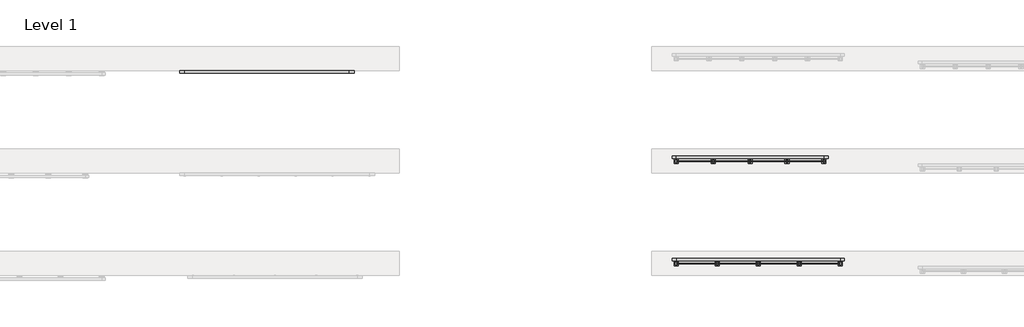
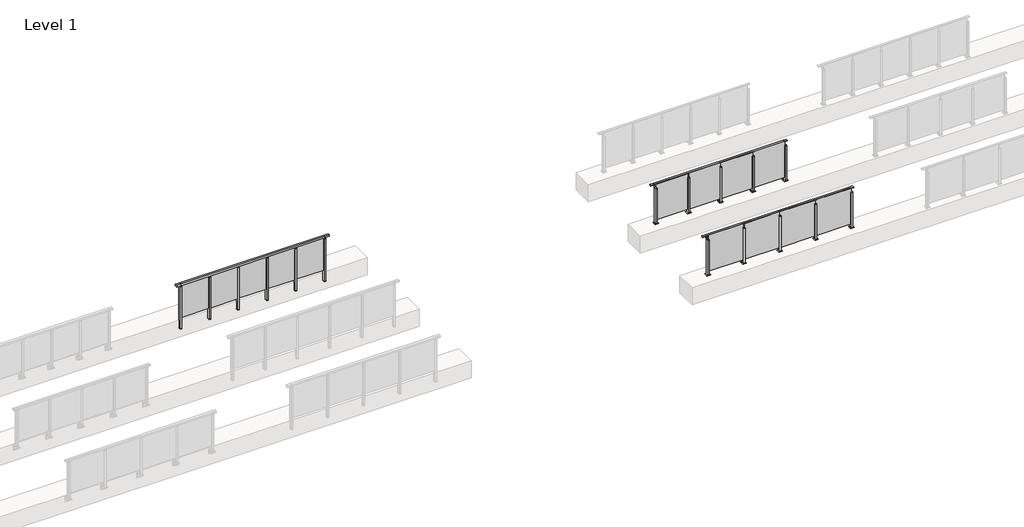
# One storey, part 22 of 37: 3 railings.
"""IFC4 building model written with IfcOpenShell, lengths in millimetres."""

import ifcopenshell
import ifcopenshell.guid

model = None  # the IFC model being written
_history = None  # IfcOwnerHistory: only IFC2X3 demands one
_inside = {}  # id of a spatial element -> (the spatial element, [elements in it])
_under = {}  # id of a project, library or spatial element -> (it, [spatial elements below it])
_declared = {}  # id of a project -> (the project, [libraries it declares])
_typed = {}  # id of a type object -> (the type object, [elements of that type])
_made_of = {}  # id of a material, layer set ... -> (it, [elements and type objects made of it])


def new_model(schema):
    """Start an empty IFC model of exactly this schema.

    Asked for "IFC4X3", IfcOpenShell would pick the latest addendum, in which some entities
    have other attributes; the version numbers below select the first issue.
    IFC2X3 requires an IfcOwnerHistory on every rooted entity: one is made here for all.
    """
    global model, _history
    if schema == "IFC4X3":
        model = ifcopenshell.file(schema_version=(4, 3, 0, 0))
    else:
        model = ifcopenshell.file(schema=schema)
    _inside.clear()
    _under.clear()
    _declared.clear()
    _typed.clear()
    _made_of.clear()
    _history = None
    if model.schema == "IFC2X3":
        org = make("IfcOrganization", Name="unknown")
        user = make(
            "IfcPersonAndOrganization",
            ThePerson=make("IfcPerson", FamilyName="unknown"),
            TheOrganization=org,
        )
        app = make(
            "IfcApplication",
            ApplicationDeveloper=org,
            Version="unknown",
            ApplicationFullName="unknown",
            ApplicationIdentifier="unknown",
        )
        _history = make(
            "IfcOwnerHistory",
            OwningUser=user,
            OwningApplication=app,
            ChangeAction="ADDED",
            CreationDate=0,
        )
    return model


def make(cls, **values):
    """One entity of the class cls with the attributes given. An attribute that is None is left unset."""
    return model.create_entity(
        cls, **{name: value for name, value in values.items() if value is not None}
    )


def rooted(cls, **values):
    """An entity with a GlobalId (a new one), such as an element, a storey or a relation."""
    return make(cls, GlobalId=ifcopenshell.guid.new(), OwnerHistory=_history, **values)


def si_unit(unit_type, name, prefix=None):
    """IfcSIUnit, for example si_unit("LENGTHUNIT", "METRE", prefix="MILLI")."""
    return make("IfcSIUnit", UnitType=unit_type, Prefix=prefix, Name=name)


def assignment(units):
    """IfcUnitAssignment: the units of a project."""
    return None if units is None else make("IfcUnitAssignment", Units=units)


def point(xyz):
    """IfcCartesianPoint."""
    return None if xyz is None else make("IfcCartesianPoint", Coordinates=xyz)


def direction(xyz):
    """IfcDirection."""
    return None if xyz is None else make("IfcDirection", DirectionRatios=xyz)


def frame(location, z_axis=None, x_axis=None):
    """IfcAxis2Placement3D, a coordinate frame: its origin and axes. An axis left out is left unset."""
    return make(
        "IfcAxis2Placement3D",
        Location=point(location),
        Axis=direction(z_axis),
        RefDirection=direction(x_axis),
    )


def frame_2d(location, x_axis=None):
    """IfcAxis2Placement2D, a coordinate frame in the plane: its origin and x axis."""
    return make(
        "IfcAxis2Placement2D", Location=point(location), RefDirection=direction(x_axis)
    )


def origin():
    """The frame at (0, 0, 0) with its axes left unset."""
    return frame((0.0, 0.0, 0.0))


def origin_with_axes():
    """The frame at (0, 0, 0) with the z axis (0, 0, 1) and the x axis (1, 0, 0) written out."""
    return frame((0.0, 0.0, 0.0), z_axis=(0.0, 0.0, 1.0), x_axis=(1.0, 0.0, 0.0))


def place(relative_to, where):
    """IfcLocalPlacement: puts the frame where relative to a parent placement (None: the world)."""
    return make(
        "IfcLocalPlacement", PlacementRelTo=relative_to, RelativePlacement=where
    )


def context(
    kind, dimensions, precision=None, world=None, true_north=None, identifier=None
):
    """IfcGeometricRepresentationContext, for example the 3D "Model" context."""
    return make(
        "IfcGeometricRepresentationContext",
        ContextIdentifier=identifier,
        ContextType=kind,
        CoordinateSpaceDimension=dimensions,
        Precision=precision,
        WorldCoordinateSystem=world,
        TrueNorth=true_north,
    )


def project(units=None, contexts=None):
    """IfcProject with its units and contexts."""
    return rooted(
        "IfcProject",
        Name="project",
        RepresentationContexts=contexts,
        UnitsInContext=assignment(units),
    )


def spatial(cls, under=None, at=None, **own):
    """A site, building, storey or space (cls), placed at a placement, below another one or the project."""
    s = rooted(cls, ObjectPlacement=at, **own)
    if under is not None:
        _under.setdefault(under.id(), (under, []))[1].append(s)
    return s


def polyline(points):
    """IfcPolyline through the points."""
    return make("IfcPolyline", Points=[point(p) for p in points])


def circle_curve(where, radius):
    """IfcCircle in the frame where."""
    return make("IfcCircle", Position=where, Radius=radius)


def trimmed(basis, trim1, trim2, sense, master):
    """IfcTrimmedCurve: the piece of a basis curve between two trims."""
    return make(
        "IfcTrimmedCurve",
        BasisCurve=basis,
        Trim1=trim1,
        Trim2=trim2,
        SenseAgreement=sense,
        MasterRepresentation=master,
    )


def segment(curve, same_sense, transition):
    """IfcCompositeCurveSegment."""
    return make(
        "IfcCompositeCurveSegment",
        Transition=transition,
        SameSense=same_sense,
        ParentCurve=curve,
    )


def composite_curve(segments, self_intersect=None):
    """IfcCompositeCurve: segments joined end to end."""
    return make("IfcCompositeCurve", Segments=segments, SelfIntersect=self_intersect)


def outline(outer, holes=None, kind="AREA"):
    """IfcArbitraryClosedProfileDef: a profile drawn as a closed curve; with holes, ...WithVoids."""
    if holes is None:
        return make("IfcArbitraryClosedProfileDef", ProfileType=kind, OuterCurve=outer)
    return make(
        "IfcArbitraryProfileDefWithVoids",
        ProfileType=kind,
        OuterCurve=outer,
        InnerCurves=holes,
    )


def extrude(swept, where, along, depth):
    """IfcExtrudedAreaSolid: the profile swept, set in the frame where, extruded along a direction by depth."""
    return make(
        "IfcExtrudedAreaSolid",
        SweptArea=swept,
        Position=where,
        ExtrudedDirection=direction(along),
        Depth=depth,
    )


def faces_of(points, faces, orient=None, outer=None):
    """IfcFace entities. A face is a list of loops; a loop is a list of indices into points, from 0.

    orient and outer hold one flag for each loop. By default every Orientation is true, the
    first loop of a face is its IfcFaceOuterBound and the others are IfcFaceBound.
    """
    made = []
    for i, loops in enumerate(faces):
        bounds = []
        for j, loop in enumerate(loops):
            is_outer = j == 0 if outer is None else outer[i][j]
            bounds.append(
                make(
                    "IfcFaceOuterBound" if is_outer else "IfcFaceBound",
                    Bound=make("IfcPolyLoop", Polygon=[points[k] for k in loop]),
                    Orientation=True if orient is None else orient[i][j],
                )
            )
        made.append(make("IfcFace", Bounds=bounds))
    return made


def faceted_brep(points, faces, orient=None, outer=None, voids=None):
    """IfcFacetedBrep: a solid bounded by flat faces; with voids (closed shells), ...WithVoids."""
    shared = [point(p) for p in points]
    hull = make("IfcClosedShell", CfsFaces=faces_of(shared, faces, orient, outer))
    if voids is None:
        return make("IfcFacetedBrep", Outer=hull)
    return make(
        "IfcFacetedBrepWithVoids",
        Outer=hull,
        Voids=[
            make(cls, CfsFaces=faces_of(shared, fs, o, b)) for cls, fs, o, b in voids
        ],
    )


def shape(context_of_items, identifier, shape_type, items):
    """IfcShapeRepresentation: the items that make up one representation, for example the "Body"."""
    return make(
        "IfcShapeRepresentation",
        ContextOfItems=context_of_items,
        RepresentationIdentifier=identifier,
        RepresentationType=shape_type,
        Items=items,
    )


def made_of(thing, what):
    """Note that an element or type object is made of a material, layer set ...; save() writes the relation."""
    if what is not None:
        _made_of.setdefault(what.id(), (what, []))[1].append(thing)
    return thing


def element(
    cls,
    number,
    at=None,
    inside=None,
    cuts=None,
    type_object=None,
    material=None,
    context=None,
    identifier="Body",
    shape_type=None,
    held_by="IfcProductDefinitionShape",
    body=None,
    shapes=None,
    **own,
):
    """One element of the class cls, such as IfcWall. Its Tag is "e" and its number.

    at: its placement. inside: the storey or other place that contains it. cuts: it is an
    opening in that element (IfcRelVoidsElement). A single representation is given by context,
    identifier, shape_type and body (its items); several are given by shapes. held_by: the class
    of the entity that holds the representations. save() writes the other relations.
    """
    e = rooted(cls, Tag="e%d" % number, ObjectPlacement=at, **own)
    if body is not None:
        shapes = [shape(context, identifier, shape_type, body)]
    if shapes is not None:
        e.Representation = make(held_by, Representations=shapes)
    if inside is not None:
        _inside.setdefault(inside.id(), (inside, []))[1].append(e)
    if cuts is not None:
        rooted(
            "IfcRelVoidsElement", RelatingBuildingElement=cuts, RelatedOpeningElement=e
        )
    if type_object is not None:
        _typed.setdefault(type_object.id(), (type_object, []))[1].append(e)
    return made_of(e, material)


def aggregate(whole, parts):
    """IfcRelAggregates: a whole, such as a stair, and the parts it consists of."""
    return rooted("IfcRelAggregates", RelatingObject=whole, RelatedObjects=parts)


def save(model, path):
    """Write the relations noted so far, then the file.

    IfcRelAggregates (storeys below a building ...), IfcRelContainedInSpatialStructure (elements
    in a storey), IfcRelDefinesByType, IfcRelAssociatesMaterial and IfcRelDeclares: one each for
    every whole, place, type object, material and project.
    """
    for whole, parts in _under.values():
        aggregate(whole, parts)
    for where, things in _inside.values():
        rooted(
            "IfcRelContainedInSpatialStructure",
            RelatedElements=things,
            RelatingStructure=where,
        )
    for kind, things in _typed.values():
        rooted("IfcRelDefinesByType", RelatedObjects=things, RelatingType=kind)
    for what, things in _made_of.values():
        rooted("IfcRelAssociatesMaterial", RelatedObjects=things, RelatingMaterial=what)
    for by, libraries in _declared.values():
        rooted("IfcRelDeclares", RelatingContext=by, RelatedDefinitions=libraries)
    model.write(path)


model = new_model("IFC4")

# Units and contexts
model_context = context("Model", 3, world=origin())
ifc_project = project(units=[si_unit("LENGTHUNIT", "METRE", prefix="MILLI")], contexts=[model_context])

# Site, building, storey
site = spatial("IfcSite", under=ifc_project)
building = spatial("IfcBuilding", under=site)
storey = spatial("IfcBuildingStorey", under=building, Name="Level 1", Elevation=0.0)

# Railings
placement = place(None, origin())
element("IfcRailing", 1, at=placement, inside=storey, context=model_context, shape_type="SolidModel", body=[
    faceted_brep([(48027.0, 22397.6846828, 1055.0), (48027.0, 22397.6846828, 1100.0), (52027.0, 22397.6846828, 1100.0), (52027.0, 22397.6846828, 1055.0), (48027.0, 22337.6846828, 1055.0), (52027.0, 22337.6846828, 1055.0), (48027.0, 22337.6846828, 1100.0), (52027.0, 22337.6846828, 1100.0), (47899.5, 22397.6846828, 1100.0), (47899.5, 22397.6846828, 1055.0), (47899.5, 22337.6846828, 1055.0), (47899.5, 22337.6846828, 1100.0), (52154.5, 22397.6846828, 1100.0), (52154.5, 22337.6846828, 1100.0), (52154.5, 22337.6846828, 1055.0), (52154.5, 22397.6846828, 1055.0)], [[[0, 1, 2, 3]], [[4, 0, 3, 5]], [[6, 4, 5, 7]], [[1, 6, 7, 2]], [[8, 9, 10, 11]], [[9, 8, 1, 0]], [[10, 9, 0, 4]], [[11, 10, 4, 6]], [[8, 11, 6, 1]], [[12, 13, 14, 15]], [[3, 2, 12, 15]], [[5, 3, 15, 14]], [[7, 5, 14, 13]], [[2, 7, 13, 12]]]),
    extrude(outline(polyline([(51237.0, 22361.9094929), (51237.0, 22371.9094929), (52017.0, 22371.9094929), (52017.0, 22361.9094929), (51237.0, 22361.9094929)])), frame((0.0, 0.0, 95.0), z_axis=(0.0, 0.0, 1.0), x_axis=(1.0, 0.0, 0.0)), (0.0, 0.0, 1.0), 960.0),
    extrude(outline(polyline([(51249.5, 22400.1846828), (51249.5, 22335.1846828), (51204.5, 22335.1846828), (51204.5, 22400.1846828), (51249.5, 22400.1846828)])), frame((0.0, 0.0, 1027.0), z_axis=(0.0, 0.0, 1.0), x_axis=(1.0, 0.0, 0.0)), (0.0, 0.0, 1.0), 8.0),
    extrude(outline(polyline([(51249.5, 22400.1846828), (51249.5, 22335.1846828), (51204.5, 22335.1846828), (51204.5, 22400.1846828), (51249.5, 22400.1846828)])), frame((0.0, 0.0, -212.0), z_axis=(0.0, 0.0, 1.0), x_axis=(1.0, 0.0, 0.0)), (0.0, 0.0, 1.0), 1239.0),
    extrude(outline(polyline([(51237.0, 22377.6846828), (51237.0, 22357.6846828), (51217.0, 22357.6846828), (51217.0, 22377.6846828), (51237.0, 22377.6846828)])), frame((0.0, 0.0, 1035.0), z_axis=(0.0, 0.0, 1.0), x_axis=(1.0, 0.0, 0.0)), (0.0, 0.0, 1.0), 20.0),
    extrude(outline(polyline([(51249.5, 22400.1846828), (51249.5, 22335.1846828), (51204.5, 22335.1846828), (51204.5, 22400.1846828), (51249.5, 22400.1846828)])), frame((0.0, 0.0, -220.0), z_axis=(0.0, 0.0, 1.0), x_axis=(1.0, 0.0, 0.0)), (0.0, 0.0, 1.0), 8.0),
    extrude(outline(polyline([(50437.0, 22361.9094929), (50437.0, 22371.9094929), (51217.0, 22371.9094929), (51217.0, 22361.9094929), (50437.0, 22361.9094929)])), frame((0.0, 0.0, 95.0), z_axis=(0.0, 0.0, 1.0), x_axis=(1.0, 0.0, 0.0)), (0.0, 0.0, 1.0), 960.0),
    extrude(outline(polyline([(50449.5, 22400.1846828), (50449.5, 22335.1846828), (50404.5, 22335.1846828), (50404.5, 22400.1846828), (50449.5, 22400.1846828)])), frame((0.0, 0.0, 1027.0), z_axis=(0.0, 0.0, 1.0), x_axis=(1.0, 0.0, 0.0)), (0.0, 0.0, 1.0), 8.0),
    extrude(outline(polyline([(50449.5, 22400.1846828), (50449.5, 22335.1846828), (50404.5, 22335.1846828), (50404.5, 22400.1846828), (50449.5, 22400.1846828)])), frame((0.0, 0.0, -212.0), z_axis=(0.0, 0.0, 1.0), x_axis=(1.0, 0.0, 0.0)), (0.0, 0.0, 1.0), 1239.0),
    extrude(outline(polyline([(50437.0, 22377.6846828), (50437.0, 22357.6846828), (50417.0, 22357.6846828), (50417.0, 22377.6846828), (50437.0, 22377.6846828)])), frame((0.0, 0.0, 1035.0), z_axis=(0.0, 0.0, 1.0), x_axis=(1.0, 0.0, 0.0)), (0.0, 0.0, 1.0), 20.0),
    extrude(outline(polyline([(50449.5, 22400.1846828), (50449.5, 22335.1846828), (50404.5, 22335.1846828), (50404.5, 22400.1846828), (50449.5, 22400.1846828)])), frame((0.0, 0.0, -220.0), z_axis=(0.0, 0.0, 1.0), x_axis=(1.0, 0.0, 0.0)), (0.0, 0.0, 1.0), 8.0),
    extrude(outline(polyline([(49637.0, 22361.9094929), (49637.0, 22371.9094929), (50417.0, 22371.9094929), (50417.0, 22361.9094929), (49637.0, 22361.9094929)])), frame((0.0, 0.0, 95.0), z_axis=(0.0, 0.0, 1.0), x_axis=(1.0, 0.0, 0.0)), (0.0, 0.0, 1.0), 960.0),
    extrude(outline(polyline([(49649.5, 22400.1846828), (49649.5, 22335.1846828), (49604.5, 22335.1846828), (49604.5, 22400.1846828), (49649.5, 22400.1846828)])), frame((0.0, 0.0, 1027.0), z_axis=(0.0, 0.0, 1.0), x_axis=(1.0, 0.0, 0.0)), (0.0, 0.0, 1.0), 8.0),
    extrude(outline(polyline([(49649.5, 22400.1846828), (49649.5, 22335.1846828), (49604.5, 22335.1846828), (49604.5, 22400.1846828), (49649.5, 22400.1846828)])), frame((0.0, 0.0, -212.0), z_axis=(0.0, 0.0, 1.0), x_axis=(1.0, 0.0, 0.0)), (0.0, 0.0, 1.0), 1239.0),
    extrude(outline(polyline([(49637.0, 22377.6846828), (49637.0, 22357.6846828), (49617.0, 22357.6846828), (49617.0, 22377.6846828), (49637.0, 22377.6846828)])), frame((0.0, 0.0, 1035.0), z_axis=(0.0, 0.0, 1.0), x_axis=(1.0, 0.0, 0.0)), (0.0, 0.0, 1.0), 20.0),
    extrude(outline(polyline([(49649.5, 22400.1846828), (49649.5, 22335.1846828), (49604.5, 22335.1846828), (49604.5, 22400.1846828), (49649.5, 22400.1846828)])), frame((0.0, 0.0, -220.0), z_axis=(0.0, 0.0, 1.0), x_axis=(1.0, 0.0, 0.0)), (0.0, 0.0, 1.0), 8.0),
    extrude(outline(polyline([(48837.0, 22361.9094929), (48837.0, 22371.9094929), (49617.0, 22371.9094929), (49617.0, 22361.9094929), (48837.0, 22361.9094929)])), frame((0.0, 0.0, 95.0), z_axis=(0.0, 0.0, 1.0), x_axis=(1.0, 0.0, 0.0)), (0.0, 0.0, 1.0), 960.0),
    extrude(outline(polyline([(48849.5, 22400.1846828), (48849.5, 22335.1846828), (48804.5, 22335.1846828), (48804.5, 22400.1846828), (48849.5, 22400.1846828)])), frame((0.0, 0.0, 1027.0), z_axis=(0.0, 0.0, 1.0), x_axis=(1.0, 0.0, 0.0)), (0.0, 0.0, 1.0), 8.0),
    extrude(outline(polyline([(48849.5, 22400.1846828), (48849.5, 22335.1846828), (48804.5, 22335.1846828), (48804.5, 22400.1846828), (48849.5, 22400.1846828)])), frame((0.0, 0.0, -212.0), z_axis=(0.0, 0.0, 1.0), x_axis=(1.0, 0.0, 0.0)), (0.0, 0.0, 1.0), 1239.0),
    extrude(outline(polyline([(48837.0, 22377.6846828), (48837.0, 22357.6846828), (48817.0, 22357.6846828), (48817.0, 22377.6846828), (48837.0, 22377.6846828)])), frame((0.0, 0.0, 1035.0), z_axis=(0.0, 0.0, 1.0), x_axis=(1.0, 0.0, 0.0)), (0.0, 0.0, 1.0), 20.0),
    extrude(outline(polyline([(48849.5, 22400.1846828), (48849.5, 22335.1846828), (48804.5, 22335.1846828), (48804.5, 22400.1846828), (48849.5, 22400.1846828)])), frame((0.0, 0.0, -220.0), z_axis=(0.0, 0.0, 1.0), x_axis=(1.0, 0.0, 0.0)), (0.0, 0.0, 1.0), 8.0),
    extrude(outline(polyline([(48037.0, 22361.9094929), (48037.0, 22371.9094929), (48817.0, 22371.9094929), (48817.0, 22361.9094929), (48037.0, 22361.9094929)])), frame((0.0, 0.0, 95.0), z_axis=(0.0, 0.0, 1.0), x_axis=(1.0, 0.0, 0.0)), (0.0, 0.0, 1.0), 960.0),
    extrude(outline(polyline([(52049.5, 22400.1846828), (52049.5, 22335.1846828), (52004.5, 22335.1846828), (52004.5, 22400.1846828), (52049.5, 22400.1846828)])), frame((0.0, 0.0, 1027.0), z_axis=(0.0, 0.0, 1.0), x_axis=(1.0, 0.0, 0.0)), (0.0, 0.0, 1.0), 8.0),
    extrude(outline(polyline([(52049.5, 22400.1846828), (52049.5, 22335.1846828), (52004.5, 22335.1846828), (52004.5, 22400.1846828), (52049.5, 22400.1846828)])), frame((0.0, 0.0, -212.0), z_axis=(0.0, 0.0, 1.0), x_axis=(1.0, 0.0, 0.0)), (0.0, 0.0, 1.0), 1239.0),
    extrude(outline(polyline([(52037.0, 22377.6846828), (52037.0, 22357.6846828), (52017.0, 22357.6846828), (52017.0, 22377.6846828), (52037.0, 22377.6846828)])), frame((0.0, 0.0, 1035.0), z_axis=(0.0, 0.0, 1.0), x_axis=(1.0, 0.0, 0.0)), (0.0, 0.0, 1.0), 20.0),
    extrude(outline(polyline([(52049.5, 22400.1846828), (52049.5, 22335.1846828), (52004.5, 22335.1846828), (52004.5, 22400.1846828), (52049.5, 22400.1846828)])), frame((0.0, 0.0, -220.0), z_axis=(0.0, 0.0, 1.0), x_axis=(1.0, 0.0, 0.0)), (0.0, 0.0, 1.0), 8.0),
    extrude(outline(polyline([(48049.5, 22400.1846828), (48049.5, 22335.1846828), (48004.5, 22335.1846828), (48004.5, 22400.1846828), (48049.5, 22400.1846828)])), frame((0.0, 0.0, 1027.0), z_axis=(0.0, 0.0, 1.0), x_axis=(1.0, 0.0, 0.0)), (0.0, 0.0, 1.0), 8.0),
    extrude(outline(polyline([(48049.5, 22400.1846828), (48049.5, 22335.1846828), (48004.5, 22335.1846828), (48004.5, 22400.1846828), (48049.5, 22400.1846828)])), frame((0.0, 0.0, -212.0), z_axis=(0.0, 0.0, 1.0), x_axis=(1.0, 0.0, 0.0)), (0.0, 0.0, 1.0), 1239.0),
    extrude(outline(polyline([(48037.0, 22377.6846828), (48037.0, 22357.6846828), (48017.0, 22357.6846828), (48017.0, 22377.6846828), (48037.0, 22377.6846828)])), frame((0.0, 0.0, 1035.0), z_axis=(0.0, 0.0, 1.0), x_axis=(1.0, 0.0, 0.0)), (0.0, 0.0, 1.0), 20.0),
    extrude(outline(polyline([(48049.5, 22400.1846828), (48049.5, 22335.1846828), (48004.5, 22335.1846828), (48004.5, 22400.1846828), (48049.5, 22400.1846828)])), frame((0.0, 0.0, -220.0), z_axis=(0.0, 0.0, 1.0), x_axis=(1.0, 0.0, 0.0)), (0.0, 0.0, 1.0), 8.0),
])
element("IfcRailing", 2, at=placement, inside=storey, context=model_context, shape_type="SolidModel", body=[
    faceted_brep([(59900.0, 17815.6846828, 1100.0), (59900.0, 17815.6846828, 1085.0), (59900.0, 17755.6846828, 1085.0), (59900.0, 17755.6846828, 1100.0), (60000.0, 17815.6846828, 1100.0), (60000.0, 17815.6846828, 1085.0), (60000.0, 17755.6846828, 1085.0), (60000.0, 17755.6846828, 1100.0), (64000.0, 17815.6846828, 1100.0), (64000.0, 17815.6846828, 1085.0), (64000.0, 17755.6846828, 1085.0), (64000.0, 17755.6846828, 1100.0), (64100.0, 17815.6846828, 1100.0), (64100.0, 17755.6846828, 1100.0), (64100.0, 17755.6846828, 1085.0), (64100.0, 17815.6846828, 1085.0)], [[[0, 1, 2, 3]], [[1, 0, 4, 5]], [[2, 1, 5, 6]], [[3, 2, 6, 7]], [[0, 3, 7, 4]], [[5, 4, 8, 9]], [[6, 5, 9, 10]], [[7, 6, 10, 11]], [[4, 7, 11, 8]], [[12, 13, 14, 15]], [[9, 8, 12, 15]], [[10, 9, 15, 14]], [[11, 10, 14, 13]], [[8, 11, 13, 12]]]),
    extrude(outline(polyline([(63010.0, 17689.4094929), (63010.0, 17699.4094929), (63990.0, 17699.4094929), (63990.0, 17689.4094929), (63010.0, 17689.4094929)])), frame((0.0, 0.0, 95.0), z_axis=(0.0, 0.0, 1.0), x_axis=(1.0, 0.0, 0.0)), (0.0, 0.0, 1.0), 1055.0),
    extrude(outline(composite_curve([segment(polyline([(17810.6846828, 1085.0), (17810.6846828, 1060.900037)]), True, "CONTINUOUS"), segment(trimmed(circle_curve(frame_2d((17800.6846828, 1060.900037)), 10.0), [point((17810.6846828, 1060.900037))], [point((17803.2728733, 1051.2407787))], False, "CARTESIAN"), True, "CONTINUOUS"), segment(polyline([(17803.2728733, 1051.2407787), (17746.2244733, 1035.9547061)]), True, "CONTINUOUS"), segment(trimmed(circle_curve(frame_2d((17748.8126638, 1026.2954478)), 10.0), [point((17746.2244733, 1035.9547061))], [point((17738.8982152, 1027.6007097))], True, "CARTESIAN"), True, "CONTINUOUS"), segment(polyline([(17738.8982152, 1027.6007097), (17734.291393, 992.6084214)]), True, "CONTINUOUS"), segment(trimmed(circle_curve(frame_2d((17731.3170584, 993.0)), 3.0), [point((17734.291393, 992.6084214))], [point((17731.3170584, 990.0))], False, "CARTESIAN"), True, "CONTINUOUS"), segment(polyline([(17731.3170584, 990.0), (17722.6846828, 990.0), (17722.6846828, 1040.0), (17786.6846828, 1057.1487483), (17786.6846828, 1085.0), (17810.6846828, 1085.0)]), True, "CONTINUOUS")], self_intersect=False)), frame((62987.5, 0.0, 0.0), z_axis=(1.0, 0.0, 0.0), x_axis=(0.0, 1.0, 0.0)), (0.0, 0.0, 1.0), 25.0),
    extrude(outline(polyline([(63022.5, 17722.6846828), (63022.5, 17657.6846828), (62977.5, 17657.6846828), (62977.5, 17722.6846828), (63022.5, 17722.6846828)])), frame((0.0, 0.0, 1040.0), z_axis=(0.0, 0.0, 1.0), x_axis=(1.0, 0.0, 0.0)), (0.0, 0.0, 1.0), 5.0),
    extrude(outline(polyline([(63050.0, 17740.1846828), (63050.0, 17640.1846828), (62950.0, 17640.1846828), (62950.0, 17740.1846828), (63050.0, 17740.1846828)])), origin_with_axes(), (0.0, 0.0, 1.0), 12.0),
    extrude(outline(polyline([(63022.5, 17722.6846828), (63022.5, 17657.6846828), (62977.5, 17657.6846828), (62977.5, 17722.6846828), (63022.5, 17722.6846828)])), frame((0.0, 0.0, 12.0), z_axis=(0.0, 0.0, 1.0), x_axis=(1.0, 0.0, 0.0)), (0.0, 0.0, 1.0), 1028.0),
    extrude(outline(polyline([(62010.0, 17689.4094929), (62010.0, 17699.4094929), (62990.0, 17699.4094929), (62990.0, 17689.4094929), (62010.0, 17689.4094929)])), frame((0.0, 0.0, 95.0), z_axis=(0.0, 0.0, 1.0), x_axis=(1.0, 0.0, 0.0)), (0.0, 0.0, 1.0), 1055.0),
    extrude(outline(composite_curve([segment(polyline([(17810.6846828, 1085.0), (17810.6846828, 1060.900037)]), True, "CONTINUOUS"), segment(trimmed(circle_curve(frame_2d((17800.6846828, 1060.900037)), 10.0), [point((17810.6846828, 1060.900037))], [point((17803.2728733, 1051.2407787))], False, "CARTESIAN"), True, "CONTINUOUS"), segment(polyline([(17803.2728733, 1051.2407787), (17746.2244733, 1035.9547061)]), True, "CONTINUOUS"), segment(trimmed(circle_curve(frame_2d((17748.8126638, 1026.2954478)), 10.0), [point((17746.2244733, 1035.9547061))], [point((17738.8982152, 1027.6007097))], True, "CARTESIAN"), True, "CONTINUOUS"), segment(polyline([(17738.8982152, 1027.6007097), (17734.291393, 992.6084214)]), True, "CONTINUOUS"), segment(trimmed(circle_curve(frame_2d((17731.3170584, 993.0)), 3.0), [point((17734.291393, 992.6084214))], [point((17731.3170584, 990.0))], False, "CARTESIAN"), True, "CONTINUOUS"), segment(polyline([(17731.3170584, 990.0), (17722.6846828, 990.0), (17722.6846828, 1040.0), (17786.6846828, 1057.1487483), (17786.6846828, 1085.0), (17810.6846828, 1085.0)]), True, "CONTINUOUS")], self_intersect=False)), frame((61987.5, 0.0, 0.0), z_axis=(1.0, 0.0, 0.0), x_axis=(0.0, 1.0, 0.0)), (0.0, 0.0, 1.0), 25.0),
    extrude(outline(polyline([(62022.5, 17722.6846828), (62022.5, 17657.6846828), (61977.5, 17657.6846828), (61977.5, 17722.6846828), (62022.5, 17722.6846828)])), frame((0.0, 0.0, 1040.0), z_axis=(0.0, 0.0, 1.0), x_axis=(1.0, 0.0, 0.0)), (0.0, 0.0, 1.0), 5.0),
    extrude(outline(polyline([(62050.0, 17740.1846828), (62050.0, 17640.1846828), (61950.0, 17640.1846828), (61950.0, 17740.1846828), (62050.0, 17740.1846828)])), origin_with_axes(), (0.0, 0.0, 1.0), 12.0),
    extrude(outline(polyline([(62022.5, 17722.6846828), (62022.5, 17657.6846828), (61977.5, 17657.6846828), (61977.5, 17722.6846828), (62022.5, 17722.6846828)])), frame((0.0, 0.0, 12.0), z_axis=(0.0, 0.0, 1.0), x_axis=(1.0, 0.0, 0.0)), (0.0, 0.0, 1.0), 1028.0),
    extrude(outline(polyline([(61010.0, 17689.4094929), (61010.0, 17699.4094929), (61990.0, 17699.4094929), (61990.0, 17689.4094929), (61010.0, 17689.4094929)])), frame((0.0, 0.0, 95.0), z_axis=(0.0, 0.0, 1.0), x_axis=(1.0, 0.0, 0.0)), (0.0, 0.0, 1.0), 1055.0),
    extrude(outline(composite_curve([segment(polyline([(17810.6846828, 1085.0), (17810.6846828, 1060.900037)]), True, "CONTINUOUS"), segment(trimmed(circle_curve(frame_2d((17800.6846828, 1060.900037)), 10.0), [point((17810.6846828, 1060.900037))], [point((17803.2728733, 1051.2407787))], False, "CARTESIAN"), True, "CONTINUOUS"), segment(polyline([(17803.2728733, 1051.2407787), (17746.2244733, 1035.9547061)]), True, "CONTINUOUS"), segment(trimmed(circle_curve(frame_2d((17748.8126638, 1026.2954478)), 10.0), [point((17746.2244733, 1035.9547061))], [point((17738.8982152, 1027.6007097))], True, "CARTESIAN"), True, "CONTINUOUS"), segment(polyline([(17738.8982152, 1027.6007097), (17734.291393, 992.6084214)]), True, "CONTINUOUS"), segment(trimmed(circle_curve(frame_2d((17731.3170584, 993.0)), 3.0), [point((17734.291393, 992.6084214))], [point((17731.3170584, 990.0))], False, "CARTESIAN"), True, "CONTINUOUS"), segment(polyline([(17731.3170584, 990.0), (17722.6846828, 990.0), (17722.6846828, 1040.0), (17786.6846828, 1057.1487483), (17786.6846828, 1085.0), (17810.6846828, 1085.0)]), True, "CONTINUOUS")], self_intersect=False)), frame((60987.5, 0.0, 0.0), z_axis=(1.0, 0.0, 0.0), x_axis=(0.0, 1.0, 0.0)), (0.0, 0.0, 1.0), 25.0),
    extrude(outline(polyline([(61022.5, 17722.6846828), (61022.5, 17657.6846828), (60977.5, 17657.6846828), (60977.5, 17722.6846828), (61022.5, 17722.6846828)])), frame((0.0, 0.0, 1040.0), z_axis=(0.0, 0.0, 1.0), x_axis=(1.0, 0.0, 0.0)), (0.0, 0.0, 1.0), 5.0),
    extrude(outline(polyline([(61050.0, 17740.1846828), (61050.0, 17640.1846828), (60950.0, 17640.1846828), (60950.0, 17740.1846828), (61050.0, 17740.1846828)])), origin_with_axes(), (0.0, 0.0, 1.0), 12.0),
    extrude(outline(polyline([(61022.5, 17722.6846828), (61022.5, 17657.6846828), (60977.5, 17657.6846828), (60977.5, 17722.6846828), (61022.5, 17722.6846828)])), frame((0.0, 0.0, 12.0), z_axis=(0.0, 0.0, 1.0), x_axis=(1.0, 0.0, 0.0)), (0.0, 0.0, 1.0), 1028.0),
    extrude(outline(polyline([(60010.0, 17689.4094929), (60010.0, 17699.4094929), (60990.0, 17699.4094929), (60990.0, 17689.4094929), (60010.0, 17689.4094929)])), frame((0.0, 0.0, 95.0), z_axis=(0.0, 0.0, 1.0), x_axis=(1.0, 0.0, 0.0)), (0.0, 0.0, 1.0), 1055.0),
    extrude(outline(composite_curve([segment(polyline([(17810.6846828, 1085.0), (17810.6846828, 1060.900037)]), True, "CONTINUOUS"), segment(trimmed(circle_curve(frame_2d((17800.6846828, 1060.900037)), 10.0), [point((17810.6846828, 1060.900037))], [point((17803.2728733, 1051.2407787))], False, "CARTESIAN"), True, "CONTINUOUS"), segment(polyline([(17803.2728733, 1051.2407787), (17746.2244733, 1035.9547061)]), True, "CONTINUOUS"), segment(trimmed(circle_curve(frame_2d((17748.8126638, 1026.2954478)), 10.0), [point((17746.2244733, 1035.9547061))], [point((17738.8982152, 1027.6007097))], True, "CARTESIAN"), True, "CONTINUOUS"), segment(polyline([(17738.8982152, 1027.6007097), (17734.291393, 992.6084214)]), True, "CONTINUOUS"), segment(trimmed(circle_curve(frame_2d((17731.3170584, 993.0)), 3.0), [point((17734.291393, 992.6084214))], [point((17731.3170584, 990.0))], False, "CARTESIAN"), True, "CONTINUOUS"), segment(polyline([(17731.3170584, 990.0), (17722.6846828, 990.0), (17722.6846828, 1040.0), (17786.6846828, 1057.1487483), (17786.6846828, 1085.0), (17810.6846828, 1085.0)]), True, "CONTINUOUS")], self_intersect=False)), frame((63987.5, 0.0, 0.0), z_axis=(1.0, 0.0, 0.0), x_axis=(0.0, 1.0, 0.0)), (0.0, 0.0, 1.0), 25.0),
    extrude(outline(polyline([(64022.5, 17722.6846828), (64022.5, 17657.6846828), (63977.5, 17657.6846828), (63977.5, 17722.6846828), (64022.5, 17722.6846828)])), frame((0.0, 0.0, 1040.0), z_axis=(0.0, 0.0, 1.0), x_axis=(1.0, 0.0, 0.0)), (0.0, 0.0, 1.0), 5.0),
    extrude(outline(polyline([(64050.0, 17740.1846828), (64050.0, 17640.1846828), (63950.0, 17640.1846828), (63950.0, 17740.1846828), (64050.0, 17740.1846828)])), origin_with_axes(), (0.0, 0.0, 1.0), 12.0),
    extrude(outline(polyline([(64022.5, 17722.6846828), (64022.5, 17657.6846828), (63977.5, 17657.6846828), (63977.5, 17722.6846828), (64022.5, 17722.6846828)])), frame((0.0, 0.0, 12.0), z_axis=(0.0, 0.0, 1.0), x_axis=(1.0, 0.0, 0.0)), (0.0, 0.0, 1.0), 1028.0),
    extrude(outline(composite_curve([segment(polyline([(17810.6846828, 1085.0), (17810.6846828, 1060.900037)]), True, "CONTINUOUS"), segment(trimmed(circle_curve(frame_2d((17800.6846828, 1060.900037)), 10.0), [point((17810.6846828, 1060.900037))], [point((17803.2728733, 1051.2407787))], False, "CARTESIAN"), True, "CONTINUOUS"), segment(polyline([(17803.2728733, 1051.2407787), (17746.2244733, 1035.9547061)]), True, "CONTINUOUS"), segment(trimmed(circle_curve(frame_2d((17748.8126638, 1026.2954478)), 10.0), [point((17746.2244733, 1035.9547061))], [point((17738.8982152, 1027.6007097))], True, "CARTESIAN"), True, "CONTINUOUS"), segment(polyline([(17738.8982152, 1027.6007097), (17734.291393, 992.6084214)]), True, "CONTINUOUS"), segment(trimmed(circle_curve(frame_2d((17731.3170584, 993.0)), 3.0), [point((17734.291393, 992.6084214))], [point((17731.3170584, 990.0))], False, "CARTESIAN"), True, "CONTINUOUS"), segment(polyline([(17731.3170584, 990.0), (17722.6846828, 990.0), (17722.6846828, 1040.0), (17786.6846828, 1057.1487483), (17786.6846828, 1085.0), (17810.6846828, 1085.0)]), True, "CONTINUOUS")], self_intersect=False)), frame((59987.5, 0.0, 0.0), z_axis=(1.0, 0.0, 0.0), x_axis=(0.0, 1.0, 0.0)), (0.0, 0.0, 1.0), 25.0),
    extrude(outline(polyline([(60022.5, 17722.6846828), (60022.5, 17657.6846828), (59977.5, 17657.6846828), (59977.5, 17722.6846828), (60022.5, 17722.6846828)])), frame((0.0, 0.0, 1040.0), z_axis=(0.0, 0.0, 1.0), x_axis=(1.0, 0.0, 0.0)), (0.0, 0.0, 1.0), 5.0),
    extrude(outline(polyline([(60050.0, 17740.1846828), (60050.0, 17640.1846828), (59950.0, 17640.1846828), (59950.0, 17740.1846828), (60050.0, 17740.1846828)])), origin_with_axes(), (0.0, 0.0, 1.0), 12.0),
    extrude(outline(polyline([(60022.5, 17722.6846828), (60022.5, 17657.6846828), (59977.5, 17657.6846828), (59977.5, 17722.6846828), (60022.5, 17722.6846828)])), frame((0.0, 0.0, 12.0), z_axis=(0.0, 0.0, 1.0), x_axis=(1.0, 0.0, 0.0)), (0.0, 0.0, 1.0), 1028.0),
])
element("IfcRailing", 3, at=placement, inside=storey, context=model_context, shape_type="SolidModel", body=[
    faceted_brep([(60000.0, 20315.6846828, 1085.0), (60000.0, 20315.6846828, 1100.0), (63600.0, 20315.6846828, 1100.0), (63600.0, 20315.6846828, 1085.0), (60000.0, 20255.6846828, 1085.0), (63600.0, 20255.6846828, 1085.0), (60000.0, 20255.6846828, 1100.0), (63600.0, 20255.6846828, 1100.0), (59900.0, 20315.6846828, 1100.0), (59900.0, 20315.6846828, 1085.0), (59900.0, 20255.6846828, 1085.0), (59900.0, 20255.6846828, 1100.0), (63700.0, 20315.6846828, 1100.0), (63700.0, 20255.6846828, 1100.0), (63700.0, 20255.6846828, 1085.0), (63700.0, 20315.6846828, 1085.0)], [[[0, 1, 2, 3]], [[4, 0, 3, 5]], [[6, 4, 5, 7]], [[1, 6, 7, 2]], [[8, 9, 10, 11]], [[9, 8, 1, 0]], [[10, 9, 0, 4]], [[11, 10, 4, 6]], [[8, 11, 6, 1]], [[12, 13, 14, 15]], [[3, 2, 12, 15]], [[5, 3, 15, 14]], [[7, 5, 14, 13]], [[2, 7, 13, 12]]]),
    extrude(outline(polyline([(62710.0, 20184.4094929), (62710.0, 20194.4094929), (63590.0, 20194.4094929), (63590.0, 20184.4094929), (62710.0, 20184.4094929)])), frame((0.0, 0.0, 95.0), z_axis=(0.0, 0.0, 1.0), x_axis=(1.0, 0.0, 0.0)), (0.0, 0.0, 1.0), 1055.0),
    extrude(outline(composite_curve([segment(polyline([(20310.6846828, 1085.0), (20310.6846828, 1060.900037)]), True, "CONTINUOUS"), segment(trimmed(circle_curve(frame_2d((20300.6846828, 1060.900037)), 10.0), [point((20310.6846828, 1060.900037))], [point((20303.2728733, 1051.2407787))], False, "CARTESIAN"), True, "CONTINUOUS"), segment(polyline([(20303.2728733, 1051.2407787), (20246.2244733, 1035.9547061)]), True, "CONTINUOUS"), segment(trimmed(circle_curve(frame_2d((20248.8126638, 1026.2954478)), 10.0), [point((20246.2244733, 1035.9547061))], [point((20238.8982152, 1027.6007097))], True, "CARTESIAN"), True, "CONTINUOUS"), segment(polyline([(20238.8982152, 1027.6007097), (20234.291393, 992.6084214)]), True, "CONTINUOUS"), segment(trimmed(circle_curve(frame_2d((20231.3170584, 993.0)), 3.0), [point((20234.291393, 992.6084214))], [point((20231.3170584, 990.0))], False, "CARTESIAN"), True, "CONTINUOUS"), segment(polyline([(20231.3170584, 990.0), (20222.6846828, 990.0), (20222.6846828, 1040.0), (20286.6846828, 1057.1487483), (20286.6846828, 1085.0), (20310.6846828, 1085.0)]), True, "CONTINUOUS")], self_intersect=False)), frame((62687.5, 0.0, 0.0), z_axis=(1.0, 0.0, 0.0), x_axis=(0.0, 1.0, 0.0)), (0.0, 0.0, 1.0), 25.0),
    extrude(outline(polyline([(62722.5, 20222.6846828), (62722.5, 20157.6846828), (62677.5, 20157.6846828), (62677.5, 20222.6846828), (62722.5, 20222.6846828)])), frame((0.0, 0.0, 1040.0), z_axis=(0.0, 0.0, 1.0), x_axis=(1.0, 0.0, 0.0)), (0.0, 0.0, 1.0), 5.0),
    extrude(outline(polyline([(62750.0, 20240.1846828), (62750.0, 20140.1846828), (62650.0, 20140.1846828), (62650.0, 20240.1846828), (62750.0, 20240.1846828)])), origin_with_axes(), (0.0, 0.0, 1.0), 12.0),
    extrude(outline(polyline([(62722.5, 20222.6846828), (62722.5, 20157.6846828), (62677.5, 20157.6846828), (62677.5, 20222.6846828), (62722.5, 20222.6846828)])), frame((0.0, 0.0, 12.0), z_axis=(0.0, 0.0, 1.0), x_axis=(1.0, 0.0, 0.0)), (0.0, 0.0, 1.0), 1028.0),
    extrude(outline(polyline([(61810.0, 20184.4094929), (61810.0, 20194.4094929), (62690.0, 20194.4094929), (62690.0, 20184.4094929), (61810.0, 20184.4094929)])), frame((0.0, 0.0, 95.0), z_axis=(0.0, 0.0, 1.0), x_axis=(1.0, 0.0, 0.0)), (0.0, 0.0, 1.0), 1055.0),
    extrude(outline(composite_curve([segment(polyline([(20310.6846828, 1085.0), (20310.6846828, 1060.900037)]), True, "CONTINUOUS"), segment(trimmed(circle_curve(frame_2d((20300.6846828, 1060.900037)), 10.0), [point((20310.6846828, 1060.900037))], [point((20303.2728733, 1051.2407787))], False, "CARTESIAN"), True, "CONTINUOUS"), segment(polyline([(20303.2728733, 1051.2407787), (20246.2244733, 1035.9547061)]), True, "CONTINUOUS"), segment(trimmed(circle_curve(frame_2d((20248.8126638, 1026.2954478)), 10.0), [point((20246.2244733, 1035.9547061))], [point((20238.8982152, 1027.6007097))], True, "CARTESIAN"), True, "CONTINUOUS"), segment(polyline([(20238.8982152, 1027.6007097), (20234.291393, 992.6084214)]), True, "CONTINUOUS"), segment(trimmed(circle_curve(frame_2d((20231.3170584, 993.0)), 3.0), [point((20234.291393, 992.6084214))], [point((20231.3170584, 990.0))], False, "CARTESIAN"), True, "CONTINUOUS"), segment(polyline([(20231.3170584, 990.0), (20222.6846828, 990.0), (20222.6846828, 1040.0), (20286.6846828, 1057.1487483), (20286.6846828, 1085.0), (20310.6846828, 1085.0)]), True, "CONTINUOUS")], self_intersect=False)), frame((61787.5, 0.0, 0.0), z_axis=(1.0, 0.0, 0.0), x_axis=(0.0, 1.0, 0.0)), (0.0, 0.0, 1.0), 25.0),
    extrude(outline(polyline([(61822.5, 20222.6846828), (61822.5, 20157.6846828), (61777.5, 20157.6846828), (61777.5, 20222.6846828), (61822.5, 20222.6846828)])), frame((0.0, 0.0, 1040.0), z_axis=(0.0, 0.0, 1.0), x_axis=(1.0, 0.0, 0.0)), (0.0, 0.0, 1.0), 5.0),
    extrude(outline(polyline([(61850.0, 20240.1846828), (61850.0, 20140.1846828), (61750.0, 20140.1846828), (61750.0, 20240.1846828), (61850.0, 20240.1846828)])), origin_with_axes(), (0.0, 0.0, 1.0), 12.0),
    extrude(outline(polyline([(61822.5, 20222.6846828), (61822.5, 20157.6846828), (61777.5, 20157.6846828), (61777.5, 20222.6846828), (61822.5, 20222.6846828)])), frame((0.0, 0.0, 12.0), z_axis=(0.0, 0.0, 1.0), x_axis=(1.0, 0.0, 0.0)), (0.0, 0.0, 1.0), 1028.0),
    extrude(outline(polyline([(60910.0, 20184.4094929), (60910.0, 20194.4094929), (61790.0, 20194.4094929), (61790.0, 20184.4094929), (60910.0, 20184.4094929)])), frame((0.0, 0.0, 95.0), z_axis=(0.0, 0.0, 1.0), x_axis=(1.0, 0.0, 0.0)), (0.0, 0.0, 1.0), 1055.0),
    extrude(outline(composite_curve([segment(polyline([(20310.6846828, 1085.0), (20310.6846828, 1060.900037)]), True, "CONTINUOUS"), segment(trimmed(circle_curve(frame_2d((20300.6846828, 1060.900037)), 10.0), [point((20310.6846828, 1060.900037))], [point((20303.2728733, 1051.2407787))], False, "CARTESIAN"), True, "CONTINUOUS"), segment(polyline([(20303.2728733, 1051.2407787), (20246.2244733, 1035.9547061)]), True, "CONTINUOUS"), segment(trimmed(circle_curve(frame_2d((20248.8126638, 1026.2954478)), 10.0), [point((20246.2244733, 1035.9547061))], [point((20238.8982152, 1027.6007097))], True, "CARTESIAN"), True, "CONTINUOUS"), segment(polyline([(20238.8982152, 1027.6007097), (20234.291393, 992.6084214)]), True, "CONTINUOUS"), segment(trimmed(circle_curve(frame_2d((20231.3170584, 993.0)), 3.0), [point((20234.291393, 992.6084214))], [point((20231.3170584, 990.0))], False, "CARTESIAN"), True, "CONTINUOUS"), segment(polyline([(20231.3170584, 990.0), (20222.6846828, 990.0), (20222.6846828, 1040.0), (20286.6846828, 1057.1487483), (20286.6846828, 1085.0), (20310.6846828, 1085.0)]), True, "CONTINUOUS")], self_intersect=False)), frame((60887.5, 0.0, 0.0), z_axis=(1.0, 0.0, 0.0), x_axis=(0.0, 1.0, 0.0)), (0.0, 0.0, 1.0), 25.0),
    extrude(outline(polyline([(60922.5, 20222.6846828), (60922.5, 20157.6846828), (60877.5, 20157.6846828), (60877.5, 20222.6846828), (60922.5, 20222.6846828)])), frame((0.0, 0.0, 1040.0), z_axis=(0.0, 0.0, 1.0), x_axis=(1.0, 0.0, 0.0)), (0.0, 0.0, 1.0), 5.0),
    extrude(outline(polyline([(60950.0, 20240.1846828), (60950.0, 20140.1846828), (60850.0, 20140.1846828), (60850.0, 20240.1846828), (60950.0, 20240.1846828)])), origin_with_axes(), (0.0, 0.0, 1.0), 12.0),
    extrude(outline(polyline([(60922.5, 20222.6846828), (60922.5, 20157.6846828), (60877.5, 20157.6846828), (60877.5, 20222.6846828), (60922.5, 20222.6846828)])), frame((0.0, 0.0, 12.0), z_axis=(0.0, 0.0, 1.0), x_axis=(1.0, 0.0, 0.0)), (0.0, 0.0, 1.0), 1028.0),
    extrude(outline(polyline([(60010.0, 20184.4094929), (60010.0, 20194.4094929), (60890.0, 20194.4094929), (60890.0, 20184.4094929), (60010.0, 20184.4094929)])), frame((0.0, 0.0, 95.0), z_axis=(0.0, 0.0, 1.0), x_axis=(1.0, 0.0, 0.0)), (0.0, 0.0, 1.0), 1055.0),
    extrude(outline(composite_curve([segment(polyline([(20310.6846828, 1085.0), (20310.6846828, 1060.900037)]), True, "CONTINUOUS"), segment(trimmed(circle_curve(frame_2d((20300.6846828, 1060.900037)), 10.0), [point((20310.6846828, 1060.900037))], [point((20303.2728733, 1051.2407787))], False, "CARTESIAN"), True, "CONTINUOUS"), segment(polyline([(20303.2728733, 1051.2407787), (20246.2244733, 1035.9547061)]), True, "CONTINUOUS"), segment(trimmed(circle_curve(frame_2d((20248.8126638, 1026.2954478)), 10.0), [point((20246.2244733, 1035.9547061))], [point((20238.8982152, 1027.6007097))], True, "CARTESIAN"), True, "CONTINUOUS"), segment(polyline([(20238.8982152, 1027.6007097), (20234.291393, 992.6084214)]), True, "CONTINUOUS"), segment(trimmed(circle_curve(frame_2d((20231.3170584, 993.0)), 3.0), [point((20234.291393, 992.6084214))], [point((20231.3170584, 990.0))], False, "CARTESIAN"), True, "CONTINUOUS"), segment(polyline([(20231.3170584, 990.0), (20222.6846828, 990.0), (20222.6846828, 1040.0), (20286.6846828, 1057.1487483), (20286.6846828, 1085.0), (20310.6846828, 1085.0)]), True, "CONTINUOUS")], self_intersect=False)), frame((63587.5, 0.0, 0.0), z_axis=(1.0, 0.0, 0.0), x_axis=(0.0, 1.0, 0.0)), (0.0, 0.0, 1.0), 25.0),
    extrude(outline(polyline([(63622.5, 20222.6846828), (63622.5, 20157.6846828), (63577.5, 20157.6846828), (63577.5, 20222.6846828), (63622.5, 20222.6846828)])), frame((0.0, 0.0, 1040.0), z_axis=(0.0, 0.0, 1.0), x_axis=(1.0, 0.0, 0.0)), (0.0, 0.0, 1.0), 5.0),
    extrude(outline(polyline([(63650.0, 20240.1846828), (63650.0, 20140.1846828), (63550.0, 20140.1846828), (63550.0, 20240.1846828), (63650.0, 20240.1846828)])), origin_with_axes(), (0.0, 0.0, 1.0), 12.0),
    extrude(outline(polyline([(63622.5, 20222.6846828), (63622.5, 20157.6846828), (63577.5, 20157.6846828), (63577.5, 20222.6846828), (63622.5, 20222.6846828)])), frame((0.0, 0.0, 12.0), z_axis=(0.0, 0.0, 1.0), x_axis=(1.0, 0.0, 0.0)), (0.0, 0.0, 1.0), 1028.0),
    extrude(outline(composite_curve([segment(polyline([(20310.6846828, 1085.0), (20310.6846828, 1060.900037)]), True, "CONTINUOUS"), segment(trimmed(circle_curve(frame_2d((20300.6846828, 1060.900037)), 10.0), [point((20310.6846828, 1060.900037))], [point((20303.2728733, 1051.2407787))], False, "CARTESIAN"), True, "CONTINUOUS"), segment(polyline([(20303.2728733, 1051.2407787), (20246.2244733, 1035.9547061)]), True, "CONTINUOUS"), segment(trimmed(circle_curve(frame_2d((20248.8126638, 1026.2954478)), 10.0), [point((20246.2244733, 1035.9547061))], [point((20238.8982152, 1027.6007097))], True, "CARTESIAN"), True, "CONTINUOUS"), segment(polyline([(20238.8982152, 1027.6007097), (20234.291393, 992.6084214)]), True, "CONTINUOUS"), segment(trimmed(circle_curve(frame_2d((20231.3170584, 993.0)), 3.0), [point((20234.291393, 992.6084214))], [point((20231.3170584, 990.0))], False, "CARTESIAN"), True, "CONTINUOUS"), segment(polyline([(20231.3170584, 990.0), (20222.6846828, 990.0), (20222.6846828, 1040.0), (20286.6846828, 1057.1487483), (20286.6846828, 1085.0), (20310.6846828, 1085.0)]), True, "CONTINUOUS")], self_intersect=False)), frame((59987.5, 0.0, 0.0), z_axis=(1.0, 0.0, 0.0), x_axis=(0.0, 1.0, 0.0)), (0.0, 0.0, 1.0), 25.0),
    extrude(outline(polyline([(60022.5, 20222.6846828), (60022.5, 20157.6846828), (59977.5, 20157.6846828), (59977.5, 20222.6846828), (60022.5, 20222.6846828)])), frame((0.0, 0.0, 1040.0), z_axis=(0.0, 0.0, 1.0), x_axis=(1.0, 0.0, 0.0)), (0.0, 0.0, 1.0), 5.0),
    extrude(outline(polyline([(60050.0, 20240.1846828), (60050.0, 20140.1846828), (59950.0, 20140.1846828), (59950.0, 20240.1846828), (60050.0, 20240.1846828)])), origin_with_axes(), (0.0, 0.0, 1.0), 12.0),
    extrude(outline(polyline([(60022.5, 20222.6846828), (60022.5, 20157.6846828), (59977.5, 20157.6846828), (59977.5, 20222.6846828), (60022.5, 20222.6846828)])), frame((0.0, 0.0, 12.0), z_axis=(0.0, 0.0, 1.0), x_axis=(1.0, 0.0, 0.0)), (0.0, 0.0, 1.0), 1028.0),
])

save(model, "model.ifc")
